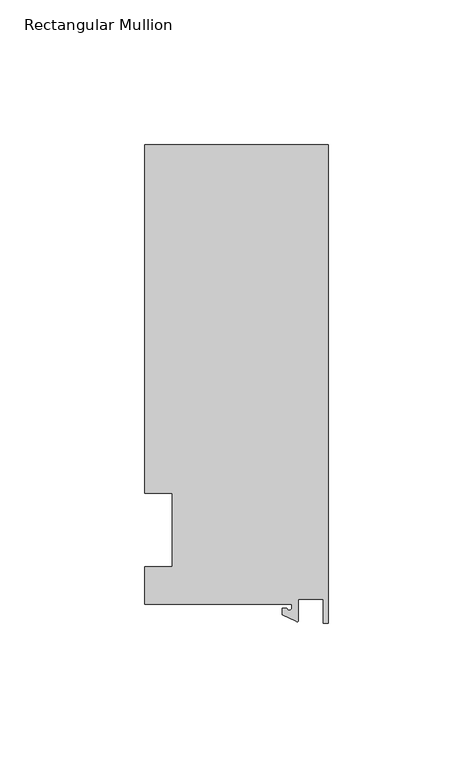
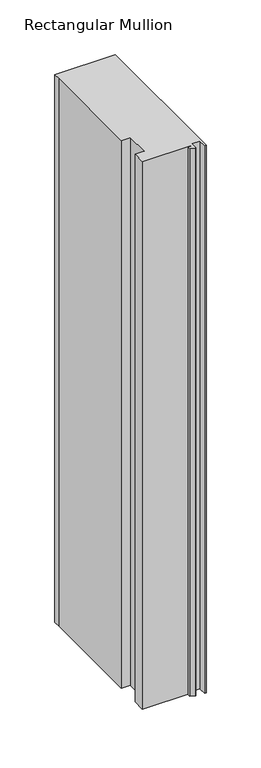
"""IFC4 building model written with IfcOpenShell, lengths in millimetres: member geometry, Rectangular Mullion."""

from ifc_helpers import new_model, si_unit, point, frame, frame_2d, origin, place, context, project, spatial, polyline, circle_curve, trimmed, segment, composite_curve, outline, extrude, source, transform, mapped, element, save


def rectangular_mullion_619efe73(model_context):
    return source(origin(), model_context, "Body", "SweptSolid", [
        extrude(outline(composite_curve([segment(polyline([(-12.6173814, -25.796875), (-63.5, -25.796875), (-63.5, -12.7), (-53.975, -12.7), (-53.975, 12.7), (-63.5, 12.7), (-63.5, 125.8114907), (-63.5, 133.34365), (0.0, 133.34365), (0.0, -32.288874), (-1.5658966, -32.288874), (-1.7144124, -23.9227662), (-10.2297814, -23.9227662), (-10.2297814, -31.2414327)]), True, "CONTINUOUS"), segment(trimmed(circle_curve(frame_2d((-10.7377814, -31.2414327)), 0.508), [point((-10.2297814, -31.2414327))], [point((-10.9524715, -31.7018371))], False, "CARTESIAN"), True, "CONTINUOUS"), segment(polyline([(-10.9524715, -31.7018371), (-15.7923814, -29.44495), (-15.7923814, -27.0827507), (-14.2048814, -27.0827507)]), True, "CONTINUOUS"), segment(trimmed(circle_curve(frame_2d((-13.4111314, -27.0827507)), 0.79375), [point((-14.2048814, -27.0827507))], [point((-12.6173814, -27.0827507))], True, "CARTESIAN"), True, "CONTINUOUS"), segment(polyline([(-12.6173814, -27.0827507), (-12.6173814, -25.796875)]), True, "CONTINUOUS")], self_intersect=False)), frame((0.0, 0.0, -609.6), z_axis=(0.0, 0.0, 1.0), x_axis=(1.0, 0.0, 0.0)), (0.0, 0.0, 1.0), 609.6),
    ])


if __name__ == "__main__":
    model = new_model("IFC4")
    model_context = context("Model", 3, world=origin())
    ifc_project = project(units=[si_unit("LENGTHUNIT", "METRE", prefix="MILLI")], contexts=[model_context])
    site = spatial("IfcSite", under=ifc_project)
    building = spatial("IfcBuilding", under=site)
    placement = place(None, origin())
    rectangular_mullion_shape = rectangular_mullion_619efe73(model_context)
    element("IfcMember", 1, ObjectType="Rectangular Mullion", at=placement, inside=building, context=model_context, shape_type="MappedRepresentation", body=[
        mapped(rectangular_mullion_shape, transform((0.0, 0.0, 0.0), x_axis=(1.0, 0.0, 0.0), y_axis=(0.0, 1.0, 0.0), z_axis=(0.0, 0.0, 1.0))),
    ])
    save(model, "model.ifc")
